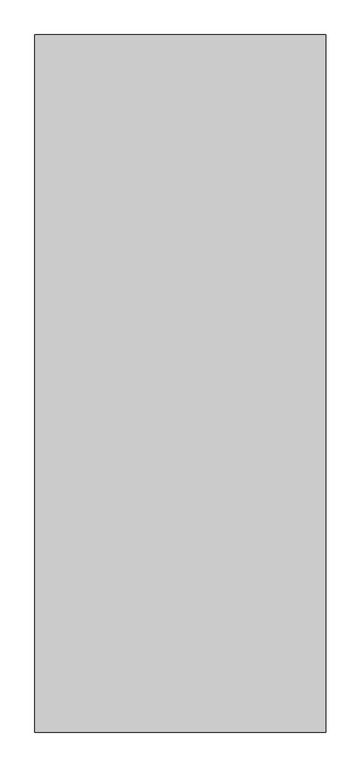
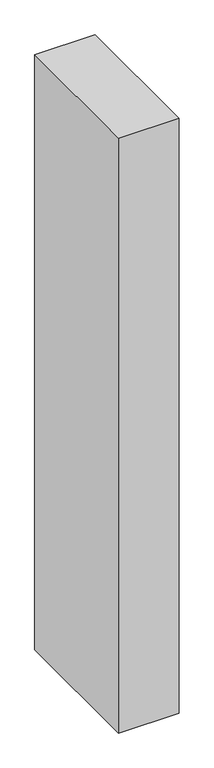
"""IFC4 building model written with IfcOpenShell, lengths in millimetres: proxy geometry."""

from ifc_helpers import new_model, si_unit, origin, origin_with_axes, place, context, project, spatial, polyline, outline, extrude, source, transform, mapped, element, save


def generic_models_678071fb(model_context):
    return source(origin(), model_context, "Body", "SweptSolid", [
        extrude(outline(polyline([(500.0, 1200.0), (500.0, 0.0), (0.0, 0.0), (0.0, 1200.0), (500.0, 1200.0)])), origin_with_axes(), (0.0, 0.0, 1.0), 5200.0),
    ])


if __name__ == "__main__":
    model = new_model("IFC4")
    model_context = context("Model", 3, world=origin())
    ifc_project = project(units=[si_unit("LENGTHUNIT", "METRE", prefix="MILLI")], contexts=[model_context])
    site = spatial("IfcSite", under=ifc_project)
    building = spatial("IfcBuilding", under=site)
    placement = place(None, origin())
    generic_models_shape = generic_models_678071fb(model_context)
    element("IfcBuildingElementProxy", 1, Name="Generic Models", at=placement, inside=building, context=model_context, shape_type="MappedRepresentation", body=[
        mapped(generic_models_shape, transform((0.0, 0.0, 0.0), x_axis=(1.0, 0.0, 0.0), y_axis=(0.0, 1.0, 0.0), z_axis=(0.0, 0.0, 1.0))),
    ])
    save(model, "model.ifc")
